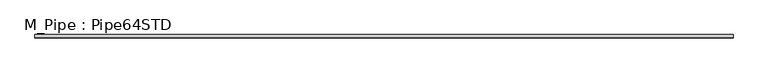
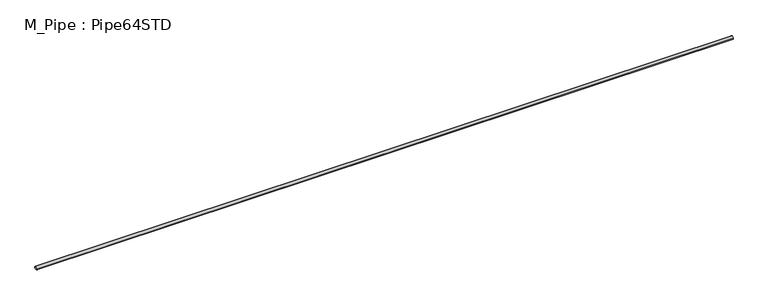
"""IFC4 building model written with IfcOpenShell, lengths in millimetres: beam geometry, M_Pipe : Pipe64STD."""

from ifc_helpers import new_model, si_unit, point, frame, origin, origin_2d, place, context, project, spatial, circle_curve, trimmed, segment, composite_curve, outline, extrude, source, transform, mapped, element, save


def m_pipe_pipe64std_1a43bf22(model_context):
    return source(origin(), model_context, "Body", "SweptSolid", [
        extrude(outline(composite_curve([segment(trimmed(circle_curve(origin_2d(), 36.6), [point((-36.6, 0.0))], [point((36.6, 0.0))], False, "CARTESIAN"), True, "CONTINUOUS"), segment(trimmed(circle_curve(origin_2d(), 36.6), [point((36.6, 0.0))], [point((-36.6, 0.0))], False, "CARTESIAN"), True, "CONTINUOUS")], self_intersect=False), holes=[composite_curve([segment(trimmed(circle_curve(origin_2d(), 31.44), [point((31.44, 0.0))], [point((-31.44, 0.0))], True, "CARTESIAN"), True, "CONTINUOUS"), segment(trimmed(circle_curve(origin_2d(), 31.44), [point((-31.44, 0.0))], [point((31.44, 0.0))], True, "CARTESIAN"), True, "CONTINUOUS")], self_intersect=False)]), frame((-7500.0, 0.0, 0.0), z_axis=(1.0, 0.0, 0.0), x_axis=(0.0, 1.0, 0.0)), (0.0, 0.0, 1.0), 15005.3),
    ])


if __name__ == "__main__":
    model = new_model("IFC4")
    model_context = context("Model", 3, world=origin())
    ifc_project = project(units=[si_unit("LENGTHUNIT", "METRE", prefix="MILLI")], contexts=[model_context])
    site = spatial("IfcSite", under=ifc_project)
    building = spatial("IfcBuilding", under=site)
    placement = place(None, origin())
    m_pipe_pipe64std_shape = m_pipe_pipe64std_1a43bf22(model_context)
    element("IfcBeam", 1, ObjectType="M_Pipe : Pipe64STD", at=placement, inside=building, context=model_context, shape_type="MappedRepresentation", body=[
        mapped(m_pipe_pipe64std_shape, transform((0.0, 0.0, 0.0), x_axis=(1.0, 0.0, 0.0), y_axis=(0.0, 1.0, 0.0), z_axis=(0.0, 0.0, 1.0))),
    ])
    save(model, "model.ifc")
